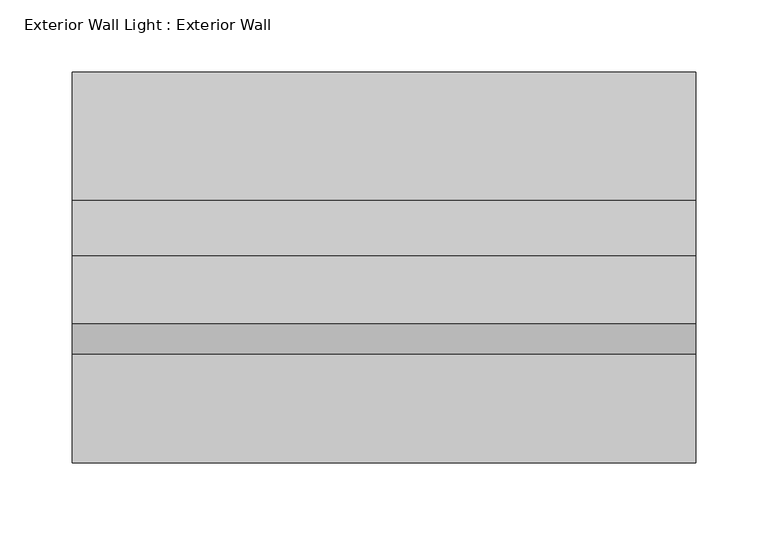
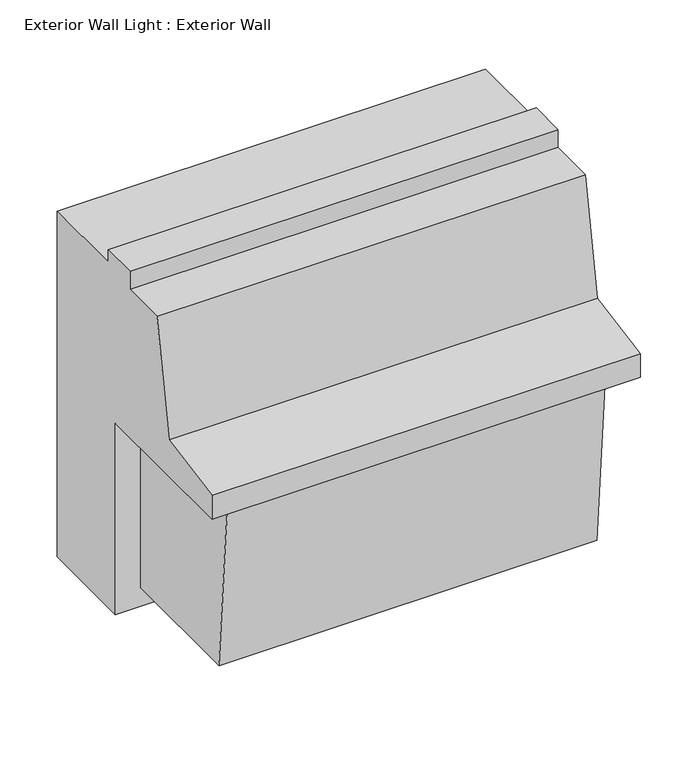
"""IFC4 building model written with IfcOpenShell, lengths in millimetres: light fixture geometry, Exterior Wall Light : Exterior Wall."""

import ifcopenshell
import ifcopenshell.guid

model = None  # the IFC model being written
_history = None  # IfcOwnerHistory: only IFC2X3 demands one
_inside = {}  # id of a spatial element -> (the spatial element, [elements in it])
_under = {}  # id of a project, library or spatial element -> (it, [spatial elements below it])
_declared = {}  # id of a project -> (the project, [libraries it declares])
_typed = {}  # id of a type object -> (the type object, [elements of that type])
_made_of = {}  # id of a material, layer set ... -> (it, [elements and type objects made of it])


def new_model(schema):
    """Start an empty IFC model of exactly this schema.

    Asked for "IFC4X3", IfcOpenShell would pick the latest addendum, in which some entities
    have other attributes; the version numbers below select the first issue.
    IFC2X3 requires an IfcOwnerHistory on every rooted entity: one is made here for all.
    """
    global model, _history
    if schema == "IFC4X3":
        model = ifcopenshell.file(schema_version=(4, 3, 0, 0))
    else:
        model = ifcopenshell.file(schema=schema)
    _inside.clear()
    _under.clear()
    _declared.clear()
    _typed.clear()
    _made_of.clear()
    _history = None
    if model.schema == "IFC2X3":
        org = make("IfcOrganization", Name="unknown")
        user = make(
            "IfcPersonAndOrganization",
            ThePerson=make("IfcPerson", FamilyName="unknown"),
            TheOrganization=org,
        )
        app = make(
            "IfcApplication",
            ApplicationDeveloper=org,
            Version="unknown",
            ApplicationFullName="unknown",
            ApplicationIdentifier="unknown",
        )
        _history = make(
            "IfcOwnerHistory",
            OwningUser=user,
            OwningApplication=app,
            ChangeAction="ADDED",
            CreationDate=0,
        )
    return model


def make(cls, **values):
    """One entity of the class cls with the attributes given. An attribute that is None is left unset."""
    return model.create_entity(
        cls, **{name: value for name, value in values.items() if value is not None}
    )


def rooted(cls, **values):
    """An entity with a GlobalId (a new one), such as an element, a storey or a relation."""
    return make(cls, GlobalId=ifcopenshell.guid.new(), OwnerHistory=_history, **values)


def si_unit(unit_type, name, prefix=None):
    """IfcSIUnit, for example si_unit("LENGTHUNIT", "METRE", prefix="MILLI")."""
    return make("IfcSIUnit", UnitType=unit_type, Prefix=prefix, Name=name)


def assignment(units):
    """IfcUnitAssignment: the units of a project."""
    return None if units is None else make("IfcUnitAssignment", Units=units)


def point(xyz):
    """IfcCartesianPoint."""
    return None if xyz is None else make("IfcCartesianPoint", Coordinates=xyz)


def direction(xyz):
    """IfcDirection."""
    return None if xyz is None else make("IfcDirection", DirectionRatios=xyz)


def frame(location, z_axis=None, x_axis=None):
    """IfcAxis2Placement3D, a coordinate frame: its origin and axes. An axis left out is left unset."""
    return make(
        "IfcAxis2Placement3D",
        Location=point(location),
        Axis=direction(z_axis),
        RefDirection=direction(x_axis),
    )


def origin():
    """The frame at (0, 0, 0) with its axes left unset."""
    return frame((0.0, 0.0, 0.0))


def place(relative_to, where):
    """IfcLocalPlacement: puts the frame where relative to a parent placement (None: the world)."""
    return make(
        "IfcLocalPlacement", PlacementRelTo=relative_to, RelativePlacement=where
    )


def context(
    kind, dimensions, precision=None, world=None, true_north=None, identifier=None
):
    """IfcGeometricRepresentationContext, for example the 3D "Model" context."""
    return make(
        "IfcGeometricRepresentationContext",
        ContextIdentifier=identifier,
        ContextType=kind,
        CoordinateSpaceDimension=dimensions,
        Precision=precision,
        WorldCoordinateSystem=world,
        TrueNorth=true_north,
    )


def project(units=None, contexts=None):
    """IfcProject with its units and contexts."""
    return rooted(
        "IfcProject",
        Name="project",
        RepresentationContexts=contexts,
        UnitsInContext=assignment(units),
    )


def spatial(cls, under=None, at=None, **own):
    """A site, building, storey or space (cls), placed at a placement, below another one or the project."""
    s = rooted(cls, ObjectPlacement=at, **own)
    if under is not None:
        _under.setdefault(under.id(), (under, []))[1].append(s)
    return s


def polyline(points):
    """IfcPolyline through the points."""
    return make("IfcPolyline", Points=[point(p) for p in points])


def outline(outer, holes=None, kind="AREA"):
    """IfcArbitraryClosedProfileDef: a profile drawn as a closed curve; with holes, ...WithVoids."""
    if holes is None:
        return make("IfcArbitraryClosedProfileDef", ProfileType=kind, OuterCurve=outer)
    return make(
        "IfcArbitraryProfileDefWithVoids",
        ProfileType=kind,
        OuterCurve=outer,
        InnerCurves=holes,
    )


def extrude(swept, where, along, depth):
    """IfcExtrudedAreaSolid: the profile swept, set in the frame where, extruded along a direction by depth."""
    return make(
        "IfcExtrudedAreaSolid",
        SweptArea=swept,
        Position=where,
        ExtrudedDirection=direction(along),
        Depth=depth,
    )


def shape(context_of_items, identifier, shape_type, items):
    """IfcShapeRepresentation: the items that make up one representation, for example the "Body"."""
    return make(
        "IfcShapeRepresentation",
        ContextOfItems=context_of_items,
        RepresentationIdentifier=identifier,
        RepresentationType=shape_type,
        Items=items,
    )


def source(mapping_origin, context_of_items, identifier, shape_type, items):
    """IfcRepresentationMap: a shape defined once, which mapped items show again and again."""
    return make(
        "IfcRepresentationMap",
        MappingOrigin=mapping_origin,
        MappedRepresentation=shape(context_of_items, identifier, shape_type, items),
    )


def transform(
    local_origin,
    x_axis=None,
    y_axis=None,
    z_axis=None,
    scale=None,
    scale2=None,
    scale3=None,
    uniform=True,
):
    """IfcCartesianTransformationOperator3D, or its non-uniform kind. x_axis, y_axis, z_axis: its Axis1, 2, 3."""
    if uniform:
        return make(
            "IfcCartesianTransformationOperator3D",
            Axis1=direction(x_axis),
            Axis2=direction(y_axis),
            LocalOrigin=point(local_origin),
            Scale=scale,
            Axis3=direction(z_axis),
        )
    return make(
        "IfcCartesianTransformationOperator3DnonUniform",
        Axis1=direction(x_axis),
        Axis2=direction(y_axis),
        LocalOrigin=point(local_origin),
        Scale=scale,
        Axis3=direction(z_axis),
        Scale2=scale2,
        Scale3=scale3,
    )


def mapped(mapping_source, mapping_target):
    """IfcMappedItem: shows the shape of a source again, moved by a transform."""
    return make(
        "IfcMappedItem", MappingSource=mapping_source, MappingTarget=mapping_target
    )


def made_of(thing, what):
    """Note that an element or type object is made of a material, layer set ...; save() writes the relation."""
    if what is not None:
        _made_of.setdefault(what.id(), (what, []))[1].append(thing)
    return thing


def element(
    cls,
    number,
    at=None,
    inside=None,
    cuts=None,
    type_object=None,
    material=None,
    context=None,
    identifier="Body",
    shape_type=None,
    held_by="IfcProductDefinitionShape",
    body=None,
    shapes=None,
    **own,
):
    """One element of the class cls, such as IfcWall. Its Tag is "e" and its number.

    at: its placement. inside: the storey or other place that contains it. cuts: it is an
    opening in that element (IfcRelVoidsElement). A single representation is given by context,
    identifier, shape_type and body (its items); several are given by shapes. held_by: the class
    of the entity that holds the representations. save() writes the other relations.
    """
    e = rooted(cls, Tag="e%d" % number, ObjectPlacement=at, **own)
    if body is not None:
        shapes = [shape(context, identifier, shape_type, body)]
    if shapes is not None:
        e.Representation = make(held_by, Representations=shapes)
    if inside is not None:
        _inside.setdefault(inside.id(), (inside, []))[1].append(e)
    if cuts is not None:
        rooted(
            "IfcRelVoidsElement", RelatingBuildingElement=cuts, RelatedOpeningElement=e
        )
    if type_object is not None:
        _typed.setdefault(type_object.id(), (type_object, []))[1].append(e)
    return made_of(e, material)


def aggregate(whole, parts):
    """IfcRelAggregates: a whole, such as a stair, and the parts it consists of."""
    return rooted("IfcRelAggregates", RelatingObject=whole, RelatedObjects=parts)


def save(model, path):
    """Write the relations noted so far, then the file.

    IfcRelAggregates (storeys below a building ...), IfcRelContainedInSpatialStructure (elements
    in a storey), IfcRelDefinesByType, IfcRelAssociatesMaterial and IfcRelDeclares: one each for
    every whole, place, type object, material and project.
    """
    for whole, parts in _under.values():
        aggregate(whole, parts)
    for where, things in _inside.values():
        rooted(
            "IfcRelContainedInSpatialStructure",
            RelatedElements=things,
            RelatingStructure=where,
        )
    for kind, things in _typed.values():
        rooted("IfcRelDefinesByType", RelatedObjects=things, RelatingType=kind)
    for what, things in _made_of.values():
        rooted("IfcRelAssociatesMaterial", RelatedObjects=things, RelatingMaterial=what)
    for by, libraries in _declared.values():
        rooted("IfcRelDeclares", RelatingContext=by, RelatedDefinitions=libraries)
    model.write(path)


def exterior_wall_light_exterior_wall_529b045f(model_context):
    return source(origin(), model_context, "Body", "SweptSolid", [
        extrude(outline(polyline([(-86.9254698, 2133.6), (-86.9254698, 1949.45), (-224.1450011, 1949.45), (-239.3254698, 2133.6), (-86.9254698, 2133.6)])), frame((-224.9117675, 0.0, 0.0), z_axis=(1.0, 0.0, 0.0), x_axis=(0.0, 1.0, 0.0)), (0.0, 0.0, 1.0), 381.0),
        extrude(outline(polyline([(14.6745302, 2297.90625), (14.6745302, 1929.60625), (-86.9254698, 1929.60625), (-86.9254698, 2133.6), (-255.9942198, 2133.6), (-255.9942198, 2159.0), (-180.5879698, 2172.49375), (-159.9504698, 2291.55625), (-112.3254698, 2291.55625), (-112.3254698, 2310.60625), (-74.2254698, 2310.60625), (-74.2254698, 2297.90625), (14.6745302, 2297.90625)])), frame((-250.3117675, 0.0, 0.0), z_axis=(1.0, 0.0, 0.0), x_axis=(0.0, 1.0, 0.0)), (0.0, 0.0, 1.0), 431.8),
    ])


if __name__ == "__main__":
    model = new_model("IFC4")
    model_context = context("Model", 3, world=origin())
    ifc_project = project(units=[si_unit("LENGTHUNIT", "METRE", prefix="MILLI")], contexts=[model_context])
    site = spatial("IfcSite", under=ifc_project)
    building = spatial("IfcBuilding", under=site)
    placement = place(None, origin())
    exterior_wall_light_exterior_wall_shape = exterior_wall_light_exterior_wall_529b045f(model_context)
    element("IfcLightFixture", 1, ObjectType="Exterior Wall Light : Exterior Wall", at=placement, inside=building, context=model_context, shape_type="MappedRepresentation", body=[
        mapped(exterior_wall_light_exterior_wall_shape, transform((0.0, 0.0, 0.0), x_axis=(1.0, 0.0, 0.0), y_axis=(0.0, 1.0, 0.0), z_axis=(0.0, 0.0, 1.0))),
    ])
    save(model, "model.ifc")
